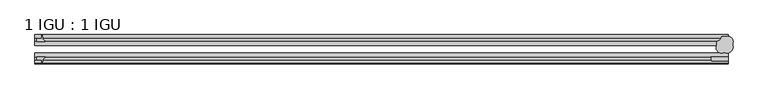
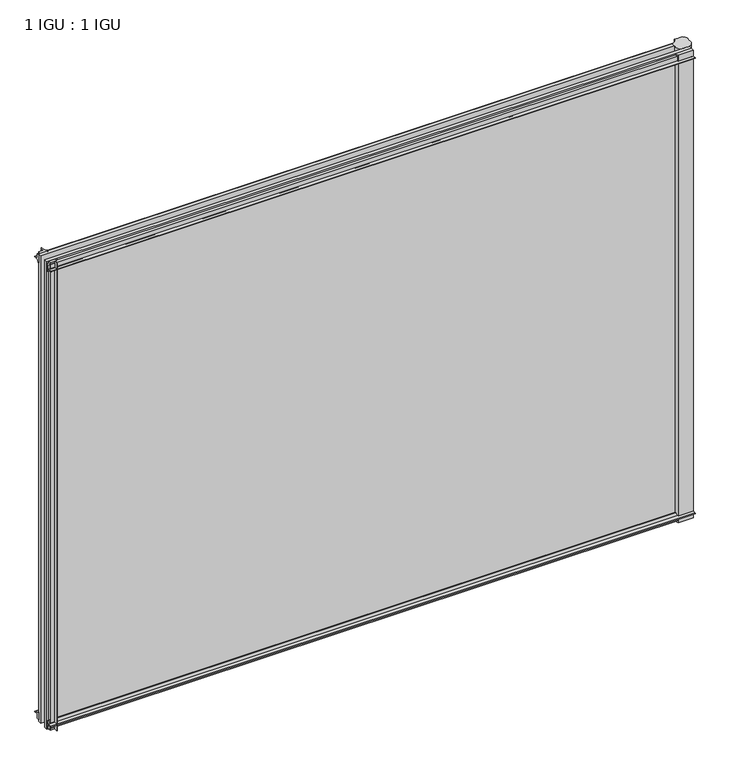
"""IFC4 building model written with IfcOpenShell, lengths in millimetres: plate geometry, 1 IGU : 1 IGU."""

import ifcopenshell
import ifcopenshell.guid

model = None  # the IFC model being written
_history = None  # IfcOwnerHistory: only IFC2X3 demands one
_inside = {}  # id of a spatial element -> (the spatial element, [elements in it])
_under = {}  # id of a project, library or spatial element -> (it, [spatial elements below it])
_declared = {}  # id of a project -> (the project, [libraries it declares])
_typed = {}  # id of a type object -> (the type object, [elements of that type])
_made_of = {}  # id of a material, layer set ... -> (it, [elements and type objects made of it])


def new_model(schema):
    """Start an empty IFC model of exactly this schema.

    Asked for "IFC4X3", IfcOpenShell would pick the latest addendum, in which some entities
    have other attributes; the version numbers below select the first issue.
    IFC2X3 requires an IfcOwnerHistory on every rooted entity: one is made here for all.
    """
    global model, _history
    if schema == "IFC4X3":
        model = ifcopenshell.file(schema_version=(4, 3, 0, 0))
    else:
        model = ifcopenshell.file(schema=schema)
    _inside.clear()
    _under.clear()
    _declared.clear()
    _typed.clear()
    _made_of.clear()
    _history = None
    if model.schema == "IFC2X3":
        org = make("IfcOrganization", Name="unknown")
        user = make(
            "IfcPersonAndOrganization",
            ThePerson=make("IfcPerson", FamilyName="unknown"),
            TheOrganization=org,
        )
        app = make(
            "IfcApplication",
            ApplicationDeveloper=org,
            Version="unknown",
            ApplicationFullName="unknown",
            ApplicationIdentifier="unknown",
        )
        _history = make(
            "IfcOwnerHistory",
            OwningUser=user,
            OwningApplication=app,
            ChangeAction="ADDED",
            CreationDate=0,
        )
    return model


def make(cls, **values):
    """One entity of the class cls with the attributes given. An attribute that is None is left unset."""
    return model.create_entity(
        cls, **{name: value for name, value in values.items() if value is not None}
    )


def rooted(cls, **values):
    """An entity with a GlobalId (a new one), such as an element, a storey or a relation."""
    return make(cls, GlobalId=ifcopenshell.guid.new(), OwnerHistory=_history, **values)


def si_unit(unit_type, name, prefix=None):
    """IfcSIUnit, for example si_unit("LENGTHUNIT", "METRE", prefix="MILLI")."""
    return make("IfcSIUnit", UnitType=unit_type, Prefix=prefix, Name=name)


def assignment(units):
    """IfcUnitAssignment: the units of a project."""
    return None if units is None else make("IfcUnitAssignment", Units=units)


def point(xyz):
    """IfcCartesianPoint."""
    return None if xyz is None else make("IfcCartesianPoint", Coordinates=xyz)


def direction(xyz):
    """IfcDirection."""
    return None if xyz is None else make("IfcDirection", DirectionRatios=xyz)


def frame(location, z_axis=None, x_axis=None):
    """IfcAxis2Placement3D, a coordinate frame: its origin and axes. An axis left out is left unset."""
    return make(
        "IfcAxis2Placement3D",
        Location=point(location),
        Axis=direction(z_axis),
        RefDirection=direction(x_axis),
    )


def frame_2d(location, x_axis=None):
    """IfcAxis2Placement2D, a coordinate frame in the plane: its origin and x axis."""
    return make(
        "IfcAxis2Placement2D", Location=point(location), RefDirection=direction(x_axis)
    )


def origin():
    """The frame at (0, 0, 0) with its axes left unset."""
    return frame((0.0, 0.0, 0.0))


def place(relative_to, where):
    """IfcLocalPlacement: puts the frame where relative to a parent placement (None: the world)."""
    return make(
        "IfcLocalPlacement", PlacementRelTo=relative_to, RelativePlacement=where
    )


def context(
    kind, dimensions, precision=None, world=None, true_north=None, identifier=None
):
    """IfcGeometricRepresentationContext, for example the 3D "Model" context."""
    return make(
        "IfcGeometricRepresentationContext",
        ContextIdentifier=identifier,
        ContextType=kind,
        CoordinateSpaceDimension=dimensions,
        Precision=precision,
        WorldCoordinateSystem=world,
        TrueNorth=true_north,
    )


def project(units=None, contexts=None):
    """IfcProject with its units and contexts."""
    return rooted(
        "IfcProject",
        Name="project",
        RepresentationContexts=contexts,
        UnitsInContext=assignment(units),
    )


def spatial(cls, under=None, at=None, **own):
    """A site, building, storey or space (cls), placed at a placement, below another one or the project."""
    s = rooted(cls, ObjectPlacement=at, **own)
    if under is not None:
        _under.setdefault(under.id(), (under, []))[1].append(s)
    return s


def polyline(points):
    """IfcPolyline through the points."""
    return make("IfcPolyline", Points=[point(p) for p in points])


def circle_curve(where, radius):
    """IfcCircle in the frame where."""
    return make("IfcCircle", Position=where, Radius=radius)


def ellipse_curve(where, semi_axis1, semi_axis2):
    """IfcEllipse in the frame where."""
    return make(
        "IfcEllipse", Position=where, SemiAxis1=semi_axis1, SemiAxis2=semi_axis2
    )


def trimmed(basis, trim1, trim2, sense, master):
    """IfcTrimmedCurve: the piece of a basis curve between two trims."""
    return make(
        "IfcTrimmedCurve",
        BasisCurve=basis,
        Trim1=trim1,
        Trim2=trim2,
        SenseAgreement=sense,
        MasterRepresentation=master,
    )


def segment(curve, same_sense, transition):
    """IfcCompositeCurveSegment."""
    return make(
        "IfcCompositeCurveSegment",
        Transition=transition,
        SameSense=same_sense,
        ParentCurve=curve,
    )


def composite_curve(segments, self_intersect=None):
    """IfcCompositeCurve: segments joined end to end."""
    return make("IfcCompositeCurve", Segments=segments, SelfIntersect=self_intersect)


def outline(outer, holes=None, kind="AREA"):
    """IfcArbitraryClosedProfileDef: a profile drawn as a closed curve; with holes, ...WithVoids."""
    if holes is None:
        return make("IfcArbitraryClosedProfileDef", ProfileType=kind, OuterCurve=outer)
    return make(
        "IfcArbitraryProfileDefWithVoids",
        ProfileType=kind,
        OuterCurve=outer,
        InnerCurves=holes,
    )


def extrude(swept, where, along, depth):
    """IfcExtrudedAreaSolid: the profile swept, set in the frame where, extruded along a direction by depth."""
    return make(
        "IfcExtrudedAreaSolid",
        SweptArea=swept,
        Position=where,
        ExtrudedDirection=direction(along),
        Depth=depth,
    )


def shape(context_of_items, identifier, shape_type, items):
    """IfcShapeRepresentation: the items that make up one representation, for example the "Body"."""
    return make(
        "IfcShapeRepresentation",
        ContextOfItems=context_of_items,
        RepresentationIdentifier=identifier,
        RepresentationType=shape_type,
        Items=items,
    )


def source(mapping_origin, context_of_items, identifier, shape_type, items):
    """IfcRepresentationMap: a shape defined once, which mapped items show again and again."""
    return make(
        "IfcRepresentationMap",
        MappingOrigin=mapping_origin,
        MappedRepresentation=shape(context_of_items, identifier, shape_type, items),
    )


def transform(
    local_origin,
    x_axis=None,
    y_axis=None,
    z_axis=None,
    scale=None,
    scale2=None,
    scale3=None,
    uniform=True,
):
    """IfcCartesianTransformationOperator3D, or its non-uniform kind. x_axis, y_axis, z_axis: its Axis1, 2, 3."""
    if uniform:
        return make(
            "IfcCartesianTransformationOperator3D",
            Axis1=direction(x_axis),
            Axis2=direction(y_axis),
            LocalOrigin=point(local_origin),
            Scale=scale,
            Axis3=direction(z_axis),
        )
    return make(
        "IfcCartesianTransformationOperator3DnonUniform",
        Axis1=direction(x_axis),
        Axis2=direction(y_axis),
        LocalOrigin=point(local_origin),
        Scale=scale,
        Axis3=direction(z_axis),
        Scale2=scale2,
        Scale3=scale3,
    )


def mapped(mapping_source, mapping_target):
    """IfcMappedItem: shows the shape of a source again, moved by a transform."""
    return make(
        "IfcMappedItem", MappingSource=mapping_source, MappingTarget=mapping_target
    )


def made_of(thing, what):
    """Note that an element or type object is made of a material, layer set ...; save() writes the relation."""
    if what is not None:
        _made_of.setdefault(what.id(), (what, []))[1].append(thing)
    return thing


def element(
    cls,
    number,
    at=None,
    inside=None,
    cuts=None,
    type_object=None,
    material=None,
    context=None,
    identifier="Body",
    shape_type=None,
    held_by="IfcProductDefinitionShape",
    body=None,
    shapes=None,
    **own,
):
    """One element of the class cls, such as IfcWall. Its Tag is "e" and its number.

    at: its placement. inside: the storey or other place that contains it. cuts: it is an
    opening in that element (IfcRelVoidsElement). A single representation is given by context,
    identifier, shape_type and body (its items); several are given by shapes. held_by: the class
    of the entity that holds the representations. save() writes the other relations.
    """
    e = rooted(cls, Tag="e%d" % number, ObjectPlacement=at, **own)
    if body is not None:
        shapes = [shape(context, identifier, shape_type, body)]
    if shapes is not None:
        e.Representation = make(held_by, Representations=shapes)
    if inside is not None:
        _inside.setdefault(inside.id(), (inside, []))[1].append(e)
    if cuts is not None:
        rooted(
            "IfcRelVoidsElement", RelatingBuildingElement=cuts, RelatedOpeningElement=e
        )
    if type_object is not None:
        _typed.setdefault(type_object.id(), (type_object, []))[1].append(e)
    return made_of(e, material)


def aggregate(whole, parts):
    """IfcRelAggregates: a whole, such as a stair, and the parts it consists of."""
    return rooted("IfcRelAggregates", RelatingObject=whole, RelatedObjects=parts)


def save(model, path):
    """Write the relations noted so far, then the file.

    IfcRelAggregates (storeys below a building ...), IfcRelContainedInSpatialStructure (elements
    in a storey), IfcRelDefinesByType, IfcRelAssociatesMaterial and IfcRelDeclares: one each for
    every whole, place, type object, material and project.
    """
    for whole, parts in _under.values():
        aggregate(whole, parts)
    for where, things in _inside.values():
        rooted(
            "IfcRelContainedInSpatialStructure",
            RelatedElements=things,
            RelatingStructure=where,
        )
    for kind, things in _typed.values():
        rooted("IfcRelDefinesByType", RelatedObjects=things, RelatingType=kind)
    for what, things in _made_of.values():
        rooted("IfcRelAssociatesMaterial", RelatedObjects=things, RelatingMaterial=what)
    for by, libraries in _declared.values():
        rooted("IfcRelDeclares", RelatingContext=by, RelatedDefinitions=libraries)
    model.write(path)


def plane_surface(at):
    """IfcPlane: the flat surface through the origin of the frame at, square to its z axis."""
    return make("IfcPlane", Position=at)


def revolved_surface(curve, axis_point, axis_direction):
    """IfcSurfaceOfRevolution: the curve turned about the line through axis_point along axis_direction."""
    return make(
        "IfcSurfaceOfRevolution",
        SweptCurve=make("IfcArbitraryOpenProfileDef", ProfileType="CURVE", Curve=curve),
        AxisPosition=make("IfcAxis1Placement", Location=point(axis_point), Axis=direction(axis_direction)),
    )


def extruded_surface(curve, direction_of_extrusion, depth):
    """IfcSurfaceOfLinearExtrusion: the curve pushed along a direction by depth."""
    return make(
        "IfcSurfaceOfLinearExtrusion",
        SweptCurve=make("IfcArbitraryOpenProfileDef", ProfileType="CURVE", Curve=curve),
        ExtrudedDirection=direction(direction_of_extrusion),
        Depth=depth,
    )


def advanced_brep(points, edges, surfaces, faces):
    """IfcAdvancedBrep: a solid bounded by faces that lie on surfaces and meet in shared edges.

    An edge is (start, end): straight between two places in points (the first is 0);
    or (start, end, curve); or (start, end, curve, False) where it runs against its curve.
    A face is (place in surfaces, loops), or (place, loops, False) where it looks against
    its surface's normal. A loop lists edges by number (the first is 1), with a minus sign
    where the edge is run from its end to its start. The first loop is the outer one.
    """
    corners = [point(p) for p in points]
    vertices = [make("IfcVertexPoint", VertexGeometry=c) for c in corners]
    made = []
    for start, end, *more in edges:
        made.append(
            make(
                "IfcEdgeCurve",
                EdgeStart=vertices[start],
                EdgeEnd=vertices[end],
                EdgeGeometry=more[0] if more else make("IfcPolyline", Points=[corners[start], corners[end]]),
                SameSense=more[1] if len(more) > 1 else True,
            )
        )
    hull = []
    for where, loops, *sense in faces:
        bounds = []
        for j, loop in enumerate(loops):
            ring = [make("IfcOrientedEdge", EdgeElement=made[abs(k) - 1], Orientation=k > 0) for k in loop]
            bounds.append(
                make(
                    "IfcFaceOuterBound" if j == 0 else "IfcFaceBound",
                    Bound=make("IfcEdgeLoop", EdgeList=ring),
                    Orientation=True,
                )
            )
        hull.append(make("IfcAdvancedFace", Bounds=bounds, FaceSurface=surfaces[where], SameSense=sense[0] if sense else True))
    return make("IfcAdvancedBrep", Outer=make("IfcClosedShell", CfsFaces=hull))


def plate_1_igu_1_igu_9ee9cfca(model_context):
    return source(origin(), model_context, "Body", "SolidModel", [
        advanced_brep(
        [(575.8672371, -8.6320312, -11.1125), (587.3984483, -21.4885506, -11.1125), (573.7755432, -35.1420622, -11.1125), (561.0820313, -23.0370225, -11.1125), (561.0820313, -16.9195783, -11.1125), (569.1882293, -8.6320313, -11.1125), (575.8672371, -8.6320313, 865.1873985), (569.1882293, -8.6320313, 865.1873985), (561.0820313, -16.9195783, 865.1873985), (561.0820313, -23.0370225, 865.1873985), (573.7755432, -35.1420622, 865.1873985), (587.3984483, -21.4885506, 865.1873985)],
        [
            (0, 1, ellipse_curve(frame((578.4121282, -17.987304, -11.1125), z_axis=(0.0, 0.0, -1.0), x_axis=(0.7071067811865466, 0.7071067811865485, 0.0)), 10.1849898, 9.5495662)),
            (1, 2, ellipse_curve(frame((578.4121282, -26.1459836, -11.1125), z_axis=(0.0, 0.0, -1.0), x_axis=(0.7071067811865464, 0.7071067811865487, 0.0)), 10.1849898, 9.5495662)),
            (2, 3, ellipse_curve(frame((570.2190227, -26.1804094, -11.1125), z_axis=(0.0, 0.0, -1.0), x_axis=(-0.7071067811865506, -0.7071067811865445, 0.0)), 10.1849898, 9.5495662)),
            (3, 4),
            (4, 5, circle_curve(frame((559.3035778, -7.071859, -11.1125), z_axis=(0.0, 0.0, 1.0), x_axis=(1.0, 0.0, 0.0)), 10.0070211)),
            (5, 0),
            (6, 7),
            (7, 8, circle_curve(frame((559.3035778, -7.071859, 865.1873985), z_axis=(0.0, 0.0, -1.0), x_axis=(1.0, 0.0, 0.0)), 10.0070211)),
            (8, 9),
            (9, 10, ellipse_curve(frame((570.2190227, -26.1804094, 865.1873985), z_axis=(0.0, 0.0, 1.0), x_axis=(-0.7071067811865506, -0.7071067811865445, 0.0)), 10.1849898, 9.5495662)),
            (10, 11, ellipse_curve(frame((578.4121282, -26.1459836, 865.1873985), z_axis=(0.0, 0.0, 1.0), x_axis=(0.7071067811865464, 0.7071067811865487, 0.0)), 10.1849898, 9.5495662)),
            (11, 6, ellipse_curve(frame((578.4121282, -17.987304, 865.1873985), z_axis=(0.0, 0.0, 1.0), x_axis=(0.7071067811865466, 0.7071067811865485, 0.0)), 10.1849898, 9.5495662)),
            (0, 6),
            (11, 1),
            (10, 2),
            (9, 3),
            (8, 4),
            (7, 5),
        ],
        [
            plane_surface(frame((580.1320312, -9.6242188, -11.1125), z_axis=(0.0, 0.0, -1.0), x_axis=(0.0, 1.0, 0.0))),
            plane_surface(frame((580.1320312, -9.6242188, 865.1873985), z_axis=(0.0, 0.0, 1.0), x_axis=(0.0, 1.0, 0.0))),
            extruded_surface(trimmed(ellipse_curve(frame((578.4121282, -17.987304, 865.1873985), z_axis=(0.0, 0.0, -1.0), x_axis=(0.7071067811865466, 0.7071067811865485, 0.0)), 10.1849898, 9.5495662), [point((575.8672371, -8.6320312, 865.1873985))], [point((587.3984483, -21.4885506, 865.1873985))], True, "CARTESIAN"), (0.0, 0.0, -876.2998984999999), 876.2998984999999),
            extruded_surface(trimmed(ellipse_curve(frame((578.4121282, -26.1459836, 865.1873985), z_axis=(0.0, 0.0, -1.0), x_axis=(0.7071067811865464, 0.7071067811865487, 0.0)), 10.1849898, 9.5495662), [point((587.3984483, -21.4885506, 865.1873985))], [point((573.7755432, -35.1420622, 865.1873985))], True, "CARTESIAN"), (0.0, 0.0, -876.2998984999999), 876.2998984999999),
            extruded_surface(trimmed(ellipse_curve(frame((570.2190227, -26.1804094, 865.1873985), z_axis=(0.0, 0.0, -1.0), x_axis=(-0.7071067811865506, -0.7071067811865445, 0.0)), 10.1849898, 9.5495662), [point((573.7755432, -35.1420622, 865.1873985))], [point((561.0820313, -23.0370225, 865.1873985))], True, "CARTESIAN"), (0.0, 0.0, -876.2998984999999), 876.2998984999999),
            plane_surface(frame((561.0820313, -23.0370225, -11.1125), z_axis=(-1.0, 0.0, 0.0), x_axis=(0.0, 0.0, 1.0))),
            revolved_surface(polyline([(569.3105989, -7.071859, 865.1873985), (569.3105989, -7.071859, -11.1125)]), (559.3035778, -7.071859, -11.1125), (0.0, 0.0, 1.0)),
            plane_surface(frame((569.1882293, -8.6320313, -11.1125), z_axis=(0.0, 1.0, 0.0), x_axis=(0.0, 0.0, 1.0))),
        ],
        [
            (0, [[1, 2, 3, 4, 5, 6]]),
            (1, [[7, 8, 9, 10, 11, 12]]),
            (2, [[-1, 13, -12, 14]]),
            (3, [[-2, -14, -11, 15]]),
            (4, [[-3, -15, -10, 16]]),
            (5, [[-4, -16, -9, 17]]),
            (6, [[-5, -17, -8, 18]]),
            (7, [[-6, -18, -7, -13]]),
        ],
    ),
        extrude(outline(composite_curve([segment(polyline([(-42.3267187, -8.2068385), (-47.0892187, -8.2068385), (-47.0892187, 0.0), (-53.563779, 0.0)]), True, "CONTINUOUS"), segment(trimmed(circle_curve(frame_2d((-53.0328134, 0.3482823)), 0.635), [point((-53.563779, 0.0))], [point((-53.0575397, 0.9828007))], False, "CARTESIAN"), True, "CONTINUOUS"), segment(trimmed(circle_curve(frame_2d((-54.2310045, 31.0958559)), 30.1359106), [point((-53.0575397, 0.9828007))], [point((-47.0834032, 1.8198434))], True, "CARTESIAN"), True, "CONTINUOUS"), segment(trimmed(circle_curve(frame_2d((-48.2159797, 6.4587878)), 4.7752), [point((-47.0834032, 1.8198434))], [point((-43.578416, 5.3205707))], True, "CARTESIAN"), True, "CONTINUOUS"), segment(trimmed(circle_curve(frame_2d((-42.9617187, 5.169212)), 0.635), [point((-43.578416, 5.3205707))], [point((-42.3267187, 5.169212))], False, "CARTESIAN"), True, "CONTINUOUS"), segment(polyline([(-42.3267187, 5.169212), (-42.3267187, -8.2068385)]), True, "CONTINUOUS")], self_intersect=False)), frame((-563.5625, 0.0, 0.0), z_axis=(1.0, 0.0, 0.0), x_axis=(0.0, 1.0, 0.0)), (0.0, 0.0, 1.0), 1143.6945312),
        extrude(outline(composite_curve([segment(polyline([(-16.9267187, -8.2068385), (-16.9267187, 5.169212)]), True, "CONTINUOUS"), segment(trimmed(circle_curve(frame_2d((-16.2917187, 5.169212)), 0.635), [point((-16.9267187, 5.169212))], [point((-15.6750215, 5.3205707))], False, "CARTESIAN"), True, "CONTINUOUS"), segment(trimmed(circle_curve(frame_2d((-11.0374578, 6.4587878)), 4.7752), [point((-15.6750215, 5.3205707))], [point((-12.1700343, 1.8198434))], True, "CARTESIAN"), True, "CONTINUOUS"), segment(trimmed(circle_curve(frame_2d((-5.022433, 31.0958559)), 30.1359106), [point((-12.1700343, 1.8198434))], [point((-6.1958978, 0.9828007))], True, "CARTESIAN"), True, "CONTINUOUS"), segment(trimmed(circle_curve(frame_2d((-6.2206241, 0.3482823)), 0.635), [point((-6.1958978, 0.9828007))], [point((-5.6896585, 0.0))], False, "CARTESIAN"), True, "CONTINUOUS"), segment(polyline([(-5.6896585, 0.0), (-12.1642187, 0.0), (-12.1642187, -8.2068385), (-16.9267187, -8.2068385)]), True, "CONTINUOUS")], self_intersect=False)), frame((-563.5625, 0.0, 0.0), z_axis=(1.0, 0.0, 0.0), x_axis=(0.0, 1.0, 0.0)), (0.0, 0.0, 1.0), 1143.6945312),
        extrude(outline(composite_curve([segment(polyline([(-47.0892187, 854.0748985), (-47.0892187, 862.281737), (-42.3267188, 862.281737), (-42.3267188, 848.9056865)]), True, "CONTINUOUS"), segment(trimmed(circle_curve(frame_2d((-42.9617187, 848.9056865)), 0.635), [point((-42.3267188, 848.9056865))], [point((-43.578416, 848.7543278))], False, "CARTESIAN"), True, "CONTINUOUS"), segment(trimmed(circle_curve(frame_2d((-48.2159797, 847.6161107)), 4.7752), [point((-43.578416, 848.7543278))], [point((-47.0834032, 852.2550551))], True, "CARTESIAN"), True, "CONTINUOUS"), segment(trimmed(circle_curve(frame_2d((-54.2310045, 822.9790426)), 30.1359106), [point((-47.0834032, 852.2550551))], [point((-53.0575397, 853.0920978))], True, "CARTESIAN"), True, "CONTINUOUS"), segment(trimmed(circle_curve(frame_2d((-53.0328134, 853.7266162)), 0.635), [point((-53.0575397, 853.0920978))], [point((-53.563779, 854.0748985))], False, "CARTESIAN"), True, "CONTINUOUS"), segment(polyline([(-53.563779, 854.0748985), (-47.0892187, 854.0748985)]), True, "CONTINUOUS")], self_intersect=False)), frame((-563.5625, 0.0, 0.0), z_axis=(1.0, 0.0, 0.0), x_axis=(0.0, 1.0, 0.0)), (0.0, 0.0, 1.0), 1143.6945312),
        extrude(outline(composite_curve([segment(polyline([(-12.1642187, 854.0748985), (-5.6896585, 854.0748985)]), True, "CONTINUOUS"), segment(trimmed(circle_curve(frame_2d((-6.2206241, 853.7266162)), 0.635), [point((-5.6896585, 854.0748985))], [point((-6.1958978, 853.0920978))], False, "CARTESIAN"), True, "CONTINUOUS"), segment(trimmed(circle_curve(frame_2d((-5.022433, 822.9790426)), 30.1359106), [point((-6.1958978, 853.0920978))], [point((-12.1700343, 852.2550551))], True, "CARTESIAN"), True, "CONTINUOUS"), segment(trimmed(circle_curve(frame_2d((-11.0374578, 847.6161107)), 4.7752), [point((-12.1700343, 852.2550551))], [point((-15.6750215, 848.7543278))], True, "CARTESIAN"), True, "CONTINUOUS"), segment(trimmed(circle_curve(frame_2d((-16.2917187, 848.9056865)), 0.635), [point((-15.6750215, 848.7543278))], [point((-16.9267187, 848.9056865))], False, "CARTESIAN"), True, "CONTINUOUS"), segment(polyline([(-16.9267187, 848.9056865), (-16.9267187, 862.281737), (-12.1642187, 862.281737), (-12.1642187, 854.0748985)]), True, "CONTINUOUS")], self_intersect=False)), frame((-563.5625, 0.0, 0.0), z_axis=(1.0, 0.0, 0.0), x_axis=(0.0, 1.0, 0.0)), (0.0, 0.0, 1.0), 1143.6945312),
        extrude(outline(composite_curve([segment(polyline([(580.1320313, -42.3267187), (580.1320313, -48.6767187), (552.7434493, -48.6767187)]), True, "CONTINUOUS"), segment(trimmed(circle_curve(frame_2d((540.985255, -48.2428298)), 11.7661971), [point((552.7434493, -48.6767187))], [point((551.1559493, -42.3267187))], True, "CARTESIAN"), True, "CONTINUOUS"), segment(polyline([(551.1559493, -42.3267187), (580.1320313, -42.3267187)]), True, "CONTINUOUS")], self_intersect=False)), frame((0.0, 0.0, -11.1125), z_axis=(0.0, 0.0, 1.0), x_axis=(1.0, 0.0, 0.0)), (0.0, 0.0, 1.0), 876.2998985),
        extrude(outline(composite_curve([segment(trimmed(circle_curve(frame_2d((-552.1017177, -6.2206241)), 0.635), [point((-552.45, -5.6896585))], [point((-551.4671993, -6.1958978))], False, "CARTESIAN"), True, "CONTINUOUS"), segment(trimmed(circle_curve(frame_2d((-521.3541441, -5.022433)), 30.1359106), [point((-551.4671993, -6.1958978))], [point((-550.6301566, -12.1700343))], True, "CARTESIAN"), True, "CONTINUOUS"), segment(trimmed(circle_curve(frame_2d((-545.9912122, -11.0374578)), 4.7752), [point((-550.6301566, -12.1700343))], [point((-547.1294293, -15.6750215))], True, "CARTESIAN"), True, "CONTINUOUS"), segment(trimmed(circle_curve(frame_2d((-547.280788, -16.2917187)), 0.635), [point((-547.1294293, -15.6750215))], [point((-547.280788, -16.9267187))], False, "CARTESIAN"), True, "CONTINUOUS"), segment(polyline([(-547.280788, -16.9267187), (-560.6568385, -16.9267187), (-560.6568385, -12.1642187), (-552.45, -12.1642187), (-552.45, -5.6896585)]), True, "CONTINUOUS")], self_intersect=False)), frame((0.0, 0.0, -11.1125), z_axis=(0.0, 0.0, 1.0), x_axis=(1.0, 0.0, 0.0)), (0.0, 0.0, 1.0), 876.2998985),
        extrude(outline(composite_curve([segment(polyline([(-552.45, -53.563779), (-552.45, -47.0892187), (-560.6568385, -47.0892187), (-560.6568385, -42.3267188), (-547.280788, -42.3267188)]), True, "CONTINUOUS"), segment(trimmed(circle_curve(frame_2d((-547.280788, -42.9617187)), 0.635), [point((-547.280788, -42.3267188))], [point((-547.1294293, -43.578416))], False, "CARTESIAN"), True, "CONTINUOUS"), segment(trimmed(circle_curve(frame_2d((-545.9912122, -48.2159797)), 4.7752), [point((-547.1294293, -43.578416))], [point((-550.6301566, -47.0834032))], True, "CARTESIAN"), True, "CONTINUOUS"), segment(trimmed(circle_curve(frame_2d((-521.3541441, -54.2310045)), 30.1359106), [point((-550.6301566, -47.0834032))], [point((-551.4671993, -53.0575397))], True, "CARTESIAN"), True, "CONTINUOUS"), segment(trimmed(circle_curve(frame_2d((-552.1017177, -53.0328134)), 0.635), [point((-551.4671993, -53.0575397))], [point((-552.45, -53.563779))], False, "CARTESIAN"), True, "CONTINUOUS")], self_intersect=False)), frame((0.0, 0.0, -11.1125), z_axis=(0.0, 0.0, 1.0), x_axis=(1.0, 0.0, 0.0)), (0.0, 0.0, 1.0), 876.2998985),
        extrude(outline(polyline([(561.0820312, -16.9267187), (561.0820312, -23.2259187), (-563.5625, -23.2259187), (-563.5625, -16.9267187), (561.0820312, -16.9267187)])), frame((0.0, 0.0, -11.1125), z_axis=(0.0, 0.0, 1.0), x_axis=(1.0, 0.0, 0.0)), (0.0, 0.0, 1.0), 876.2998985),
        extrude(outline(polyline([(580.1320312, -36.0275187), (580.1320312, -42.3267187), (-563.5625, -42.3267187), (-563.5625, -36.0275187), (580.1320312, -36.0275187)])), frame((0.0, 0.0, -11.1125), z_axis=(0.0, 0.0, 1.0), x_axis=(1.0, 0.0, 0.0)), (0.0, 0.0, 1.0), 876.2998985),
    ])


if __name__ == "__main__":
    model = new_model("IFC4")
    model_context = context("Model", 3, world=origin())
    ifc_project = project(units=[si_unit("LENGTHUNIT", "METRE", prefix="MILLI")], contexts=[model_context])
    site = spatial("IfcSite", under=ifc_project)
    building = spatial("IfcBuilding", under=site)
    placement = place(None, origin())
    plate_1_igu_1_igu_shape = plate_1_igu_1_igu_9ee9cfca(model_context)
    element("IfcPlate", 1, ObjectType="1 IGU : 1 IGU", at=placement, inside=building, context=model_context, shape_type="MappedRepresentation", body=[
        mapped(plate_1_igu_1_igu_shape, transform((0.0, 0.0, 0.0), x_axis=(1.0, 0.0, 0.0), y_axis=(0.0, 1.0, 0.0), z_axis=(0.0, 0.0, 1.0))),
    ])
    save(model, "model.ifc")
